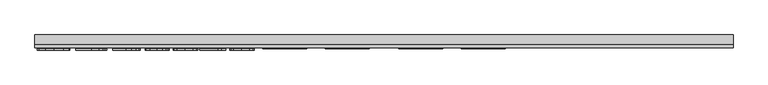
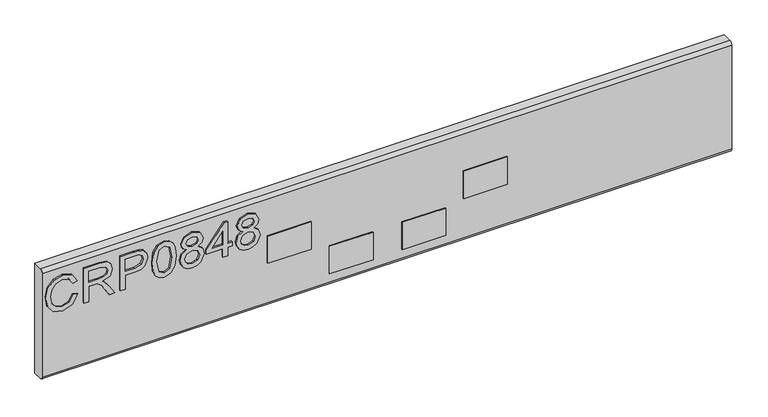
"""IFC4 building model written with IfcOpenShell, lengths in millimetres: furniture geometry."""

from ifc_helpers import new_model, si_unit, point, frame, frame_2d, origin, place, context, project, spatial, polyline, circle_curve, trimmed, segment, composite_curve, outline, extrude, source, transform, mapped, element, save


def furniture_291d80b6(model_context):
    return source(origin(), model_context, "Body", "SweptSolid", [
        extrude(outline(polyline([(498.9252652, -802.6680206), (487.1827171, -809.4347807), (483.2270047, -821.636752), (486.1314943, -832.6395507), (494.907258, -840.1304865), (508.6432359, -842.5366187), (520.4947997, -840.5042546), (529.6521183, -833.4571684), (533.0627523, -820.9826579), (529.9869522, -810.2056774), (520.1833263, -803.6647356), (522.0833141, -795.6910159), (536.0684708, -804.7003847), (541.0364719, -820.6711844), (537.197562, -835.9956768), (525.9611582, -846.7337231), (508.6276623, -850.5103383), (491.5744924, -847.1697859), (479.4426026, -837.4362414), (475.253285, -820.8424948), (480.7897251, -804.1475194), (496.8695406, -794.694301), (498.9252652, -802.6680206)])), frame((0.0, 1146.9916162, 0.0), z_axis=(0.0, 1.0, 0.0), x_axis=(0.0, 0.0, 1.0)), (0.0, 0.0, 1.0), 2.38125),
        extrude(outline(polyline([(476.25, -783.7304365), (476.25, -775.7567169), (504.1580187, -775.7567169), (504.1580187, -766.1321881), (503.8776926, -761.5068078), (502.3592596, -757.7146189), (498.22445, -753.5019409), (489.4720468, -747.5060775), (476.25, -739.2053108), (476.25, -729.9389764), (493.536775, -740.5757938), (501.7440996, -747.0388673), (505.1547336, -751.5708056), (511.0883023, -738.2163826), (522.5816716, -733.8946889), (532.2295609, -736.5032788), (538.3188663, -743.4802835), (540.0397569, -756.242907), (540.0397569, -783.7304365), (476.25, -783.7304365)]), holes=[polyline([(512.1317383, -775.7567169), (532.0660373, -775.7567169), (532.0660373, -755.9002862), (529.3094975, -745.2401083), (522.2857719, -741.8684085), (516.8739211, -743.6360202), (513.2608294, -748.806479), (512.1317383, -757.9092898), (512.1317383, -775.7567169)])]), frame((0.0, 1146.9916162, 0.0), z_axis=(0.0, 1.0, 0.0), x_axis=(0.0, 0.0, 1.0)), (0.0, 0.0, 1.0), 2.38125),
        extrude(outline(polyline([(476.25, -719.9406796), (476.25, -711.96696), (502.1645888, -711.96696), (502.1645888, -695.7547683), (503.574006, -684.4268693), (507.8022577, -677.2298865), (521.5849567, -672.0983619), (530.282852, -673.9983497), (536.4500257, -679.0208587), (539.4323838, -686.7687601), (540.0397569, -696.2998468), (540.0397569, -719.9406796), (476.25, -719.9406796)]), holes=[polyline([(510.1383084, -711.96696), (532.0660373, -711.96696), (532.0660373, -695.4744422), (531.5209588, -687.5007226), (527.9078671, -682.1200192), (521.3046306, -680.0720815), (513.0661585, -683.5450101), (510.1383084, -695.2875582), (510.1383084, -711.96696)])]), frame((0.0, 1146.9916162, 0.0), z_axis=(0.0, 1.0, 0.0), x_axis=(0.0, 0.0, 1.0)), (0.0, 0.0, 1.0), 2.38125),
        extrude(outline(polyline([(507.6309473, -664.1246422), (492.1156775, -662.5361278), (481.3270168, -657.7705844), (476.771718, -651.4788213), (475.253285, -643.1936283), (478.7495742, -631.5211617), (489.3552443, -624.5830913), (507.6309473, -622.2626143), (522.6206058, -623.7109657), (532.0582505, -627.4486467), (537.9840324, -633.8805729), (540.0397569, -643.1936283), (536.5668283, -654.8193737), (525.9845188, -661.7808047), (507.6309473, -664.1246422)]), holes=[polyline([(507.646521, -656.1509226), (527.7988514, -652.2886522), (532.0660373, -643.2870703), (527.2226256, -633.8494256), (507.646521, -630.2363339), (487.8601718, -633.9740149), (483.2270047, -643.1936283), (487.8445982, -652.4132416), (507.646521, -656.1509226)])]), frame((0.0, 1146.9916162, 0.0), z_axis=(0.0, 1.0, 0.0), x_axis=(0.0, 0.0, 1.0)), (0.0, 0.0, 1.0), 2.38125),
        extrude(outline(polyline([(511.3842021, -603.6676509), (505.5907964, -612.2643174), (495.0318474, -615.2856096), (487.2742125, -613.845045), (480.9143145, -609.5233513), (476.6685424, -602.8500332), (475.253285, -594.3545956), (476.6627023, -585.859158), (480.890954, -579.1858399), (494.813816, -573.4235816), (505.1313731, -576.3280713), (511.3842021, -584.8079352), (516.313269, -577.7452753), (523.8275653, -575.4170115), (535.3209346, -580.649765), (540.0397569, -594.4636113), (535.4299503, -608.1528682), (524.0455967, -613.2921797), (516.3366295, -610.9327685), (511.3842021, -603.6676509)]), holes=[polyline([(523.8119916, -605.3184601), (529.6365446, -602.4451177), (532.0660373, -594.3545956), (529.5820368, -586.2874339), (523.4537972, -583.3907311), (517.5358022, -586.1939919), (515.1218831, -594.2611536), (517.5513758, -602.4918388), (523.8119916, -605.3184601)]), polyline([(495.3121735, -607.31189), (503.7686769, -603.9401902), (507.1481635, -594.5570533), (503.7219559, -584.9013772), (495.0629947, -581.3973012), (486.5675571, -584.7923615), (483.2270047, -594.2923009), (484.8155191, -601.2693056), (489.3085232, -605.9803411), (495.3121735, -607.31189)])]), frame((0.0, 1146.9916162, 0.0), z_axis=(0.0, 1.0, 0.0), x_axis=(0.0, 0.0, 1.0)), (0.0, 0.0, 1.0), 2.38125),
        extrude(outline(polyline([(476.25, -540.5319882), (476.25, -532.5582685), (491.2007243, -532.5582685), (491.2007243, -524.5845489), (499.1744439, -524.5845489), (499.1744439, -532.5582685), (539.043042, -532.5582685), (539.043042, -538.5385583), (499.1744439, -569.4367218), (491.2007243, -569.4367218), (491.2007243, -540.5319882), (476.25, -540.5319882)]), holes=[polyline([(499.1744439, -540.5319882), (499.1744439, -559.625309), (523.8119916, -540.5319882), (499.1744439, -540.5319882)])]), frame((0.0, 1146.9916162, 0.0), z_axis=(0.0, 1.0, 0.0), x_axis=(0.0, 0.0, 1.0)), (0.0, 0.0, 1.0), 2.38125),
        extrude(outline(polyline([(511.3842021, -505.9895856), (505.5907964, -514.5862521), (495.0318474, -517.6075443), (487.2742125, -516.1669797), (480.9143145, -511.8452859), (476.6685424, -505.1719679), (475.253285, -496.6765303), (476.6627023, -488.1810927), (480.890954, -481.5077746), (494.813816, -475.7455163), (505.1313731, -478.6500059), (511.3842021, -487.1298699), (516.313269, -480.06721), (523.8275653, -477.7389462), (535.3209346, -482.9716997), (540.0397569, -496.785546), (535.4299503, -510.4748029), (524.0455967, -515.6141144), (516.3366295, -513.2547032), (511.3842021, -505.9895856)]), holes=[polyline([(523.8119916, -507.6403947), (529.6365446, -504.7670524), (532.0660373, -496.6765303), (529.5820368, -488.6093686), (523.4537972, -485.7126658), (517.5358022, -488.5159266), (515.1218831, -496.5830882), (517.5513758, -504.8137734), (523.8119916, -507.6403947)]), polyline([(495.3121735, -509.6338246), (503.7686769, -506.2621248), (507.1481635, -496.878988), (503.7219559, -487.2233119), (495.0629947, -483.7192359), (486.5675571, -487.1142962), (483.2270047, -496.6142356), (484.8155191, -503.5912402), (489.3085232, -508.3022758), (495.3121735, -509.6338246)])]), frame((0.0, 1146.9916162, 0.0), z_axis=(0.0, 1.0, 0.0), x_axis=(0.0, 0.0, 1.0)), (0.0, 0.0, 1.0), 2.38125),
        extrude(outline(polyline([(-117.8971981, 1150.9603662), (-41.6971981, 1150.9603662), (-41.6971981, 1149.3728662), (-117.8971981, 1149.3728662), (-117.8971981, 1150.9603662)])), frame((0.0, 0.0, 434.974997), z_axis=(0.0, 0.0, 1.0), x_axis=(1.0, 0.0, 0.0)), (0.0, 0.0, 1.0), 50.8000061),
        extrude(outline(polyline([(-460.7971981, 1150.9603662), (-384.5971981, 1150.9603662), (-384.5971981, 1149.3728662), (-460.7971981, 1149.3728662), (-460.7971981, 1150.9603662)])), frame((0.0, 0.0, 434.974997), z_axis=(0.0, 0.0, 1.0), x_axis=(1.0, 0.0, 0.0)), (0.0, 0.0, 1.0), 50.8000061),
        extrude(outline(polyline([(-352.8471921, 1150.9603662), (-276.6471921, 1150.9603662), (-276.6471921, 1149.3728662), (-352.8471921, 1149.3728662), (-352.8471921, 1150.9603662)])), frame((0.0, 0.0, 377.8249992), z_axis=(0.0, 0.0, 1.0), x_axis=(1.0, 0.0, 0.0)), (0.0, 0.0, 1.0), 50.7999992),
        extrude(outline(polyline([(-225.847186, 1150.9603662), (-149.647186, 1150.9603662), (-149.647186, 1149.3728662), (-225.847186, 1149.3728662), (-225.847186, 1150.9603662)])), frame((0.0, 0.0, 377.8249992), z_axis=(0.0, 0.0, 1.0), x_axis=(1.0, 0.0, 0.0)), (0.0, 0.0, 1.0), 50.7999992),
        extrude(outline(composite_curve([segment(trimmed(circle_curve(frame_2d((1156.9134912, 552.8468811)), 5.953125), [point((1150.9603662, 552.8468811))], [point((1156.9134912, 558.8000061))], False, "CARTESIAN"), True, "CONTINUOUS"), segment(polyline([(1156.9134912, 558.8000061), (1173.1853662, 558.8000061), (1173.1853662, 355.6), (1156.9134912, 355.6)]), True, "CONTINUOUS"), segment(trimmed(circle_curve(frame_2d((1156.9134912, 361.553125)), 5.953125), [point((1156.9134912, 355.6))], [point((1150.9603662, 361.553125))], False, "CARTESIAN"), True, "CONTINUOUS"), segment(polyline([(1150.9603662, 361.553125), (1150.9603662, 552.8468811)]), True, "CONTINUOUS")], self_intersect=False)), frame((-854.4971981, 0.0, 0.0), z_axis=(1.0, 0.0, 0.0), x_axis=(0.0, 1.0, 0.0)), (0.0, 0.0, 1.0), 1206.5),
    ])


if __name__ == "__main__":
    model = new_model("IFC4")
    model_context = context("Model", 3, world=origin())
    ifc_project = project(units=[si_unit("LENGTHUNIT", "METRE", prefix="MILLI")], contexts=[model_context])
    site = spatial("IfcSite", under=ifc_project)
    building = spatial("IfcBuilding", under=site)
    placement = place(None, origin())
    furniture_shape = furniture_291d80b6(model_context)
    element("IfcFurniture", 1, at=placement, inside=building, context=model_context, shape_type="MappedRepresentation", body=[
        mapped(furniture_shape, transform((0.0, 0.0, 0.0), x_axis=(1.0, 0.0, 0.0), y_axis=(0.0, 1.0, 0.0), z_axis=(0.0, 0.0, 1.0))),
    ])
    save(model, "model.ifc")
